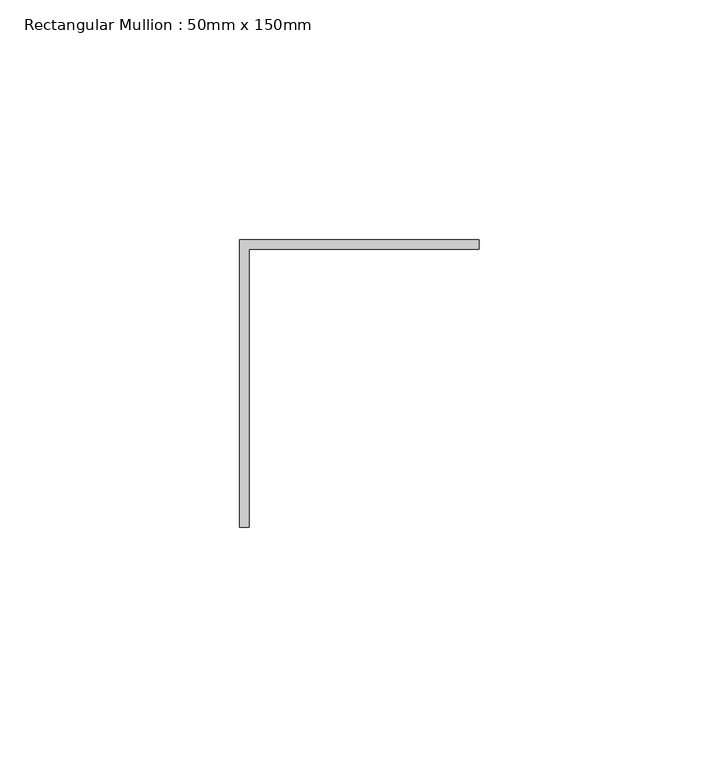
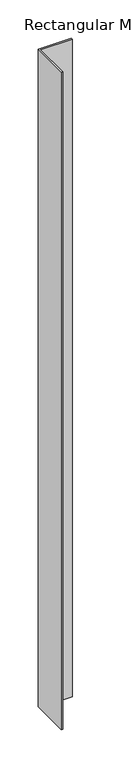
"""IFC4 building model written with IfcOpenShell, lengths in millimetres: member geometry, Rectangular Mullion : 50mm x 150mm."""

from ifc_helpers import new_model, si_unit, frame, origin, place, context, project, spatial, polyline, outline, extrude, source, transform, mapped, element, save


def rectangular_mullion_50mm_x_150mm_b96aeb03(model_context):
    return source(origin(), model_context, "Body", "SweptSolid", [
        extrude(outline(polyline([(0.0, 0.0), (50.0, 0.0), (50.0, -2.0), (2.0, -2.0), (2.0, -60.0), (0.0, -60.0), (0.0, 0.0)])), frame((0.0, 0.0, -1049.6930737), z_axis=(0.0, 0.0, 1.0), x_axis=(1.0, 0.0, 0.0)), (0.0, 0.0, 1.0), 1049.6930737),
    ])


if __name__ == "__main__":
    model = new_model("IFC4")
    model_context = context("Model", 3, world=origin())
    ifc_project = project(units=[si_unit("LENGTHUNIT", "METRE", prefix="MILLI")], contexts=[model_context])
    site = spatial("IfcSite", under=ifc_project)
    building = spatial("IfcBuilding", under=site)
    placement = place(None, origin())
    rectangular_mullion_50mm_x_150mm_shape = rectangular_mullion_50mm_x_150mm_b96aeb03(model_context)
    element("IfcMember", 1, ObjectType="Rectangular Mullion : 50mm x 150mm", at=placement, inside=building, context=model_context, shape_type="MappedRepresentation", body=[
        mapped(rectangular_mullion_50mm_x_150mm_shape, transform((0.0, 0.0, 0.0), x_axis=(1.0, 0.0, 0.0), y_axis=(0.0, 1.0, 0.0), z_axis=(0.0, 0.0, 1.0))),
    ])
    save(model, "model.ifc")
